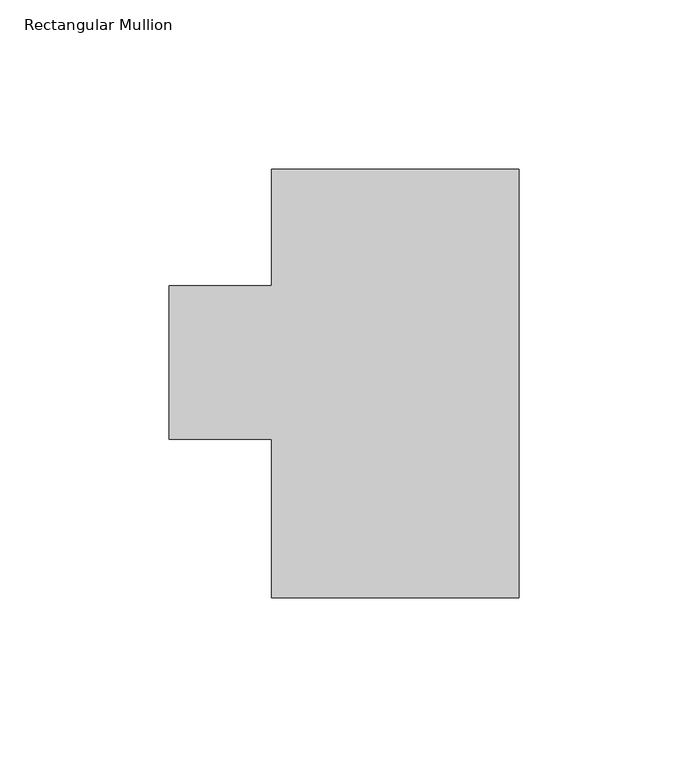
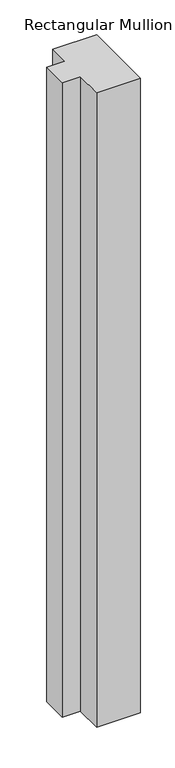
"""IFC4 building model written with IfcOpenShell, lengths in millimetres: member geometry, Rectangular Mullion."""

from ifc_helpers import new_model, si_unit, frame, origin, place, context, project, spatial, polyline, outline, extrude, source, transform, mapped, element, save


def rectangular_mullion_ff105ce1(model_context):
    return source(origin(), model_context, "Body", "SweptSolid", [
        extrude(outline(polyline([(-73.025, 124.5750938), (0.0, 124.5750938), (0.0, -1.9169062), (-73.025, -1.9169062), (-73.025, 44.9460937), (-103.2002, 44.9460937), (-103.2002, 90.2088937), (-73.025, 90.2088937), (-73.025, 124.5750938)])), frame((0.0, 0.0, -1123.95), z_axis=(0.0, 0.0, 1.0), x_axis=(1.0, 0.0, 0.0)), (0.0, 0.0, 1.0), 1123.95),
    ])


if __name__ == "__main__":
    model = new_model("IFC4")
    model_context = context("Model", 3, world=origin())
    ifc_project = project(units=[si_unit("LENGTHUNIT", "METRE", prefix="MILLI")], contexts=[model_context])
    site = spatial("IfcSite", under=ifc_project)
    building = spatial("IfcBuilding", under=site)
    placement = place(None, origin())
    rectangular_mullion_shape = rectangular_mullion_ff105ce1(model_context)
    element("IfcMember", 1, ObjectType="Rectangular Mullion", at=placement, inside=building, context=model_context, shape_type="MappedRepresentation", body=[
        mapped(rectangular_mullion_shape, transform((0.0, 0.0, 0.0), x_axis=(1.0, 0.0, 0.0), y_axis=(0.0, 1.0, 0.0), z_axis=(0.0, 0.0, 1.0))),
    ])
    save(model, "model.ifc")
